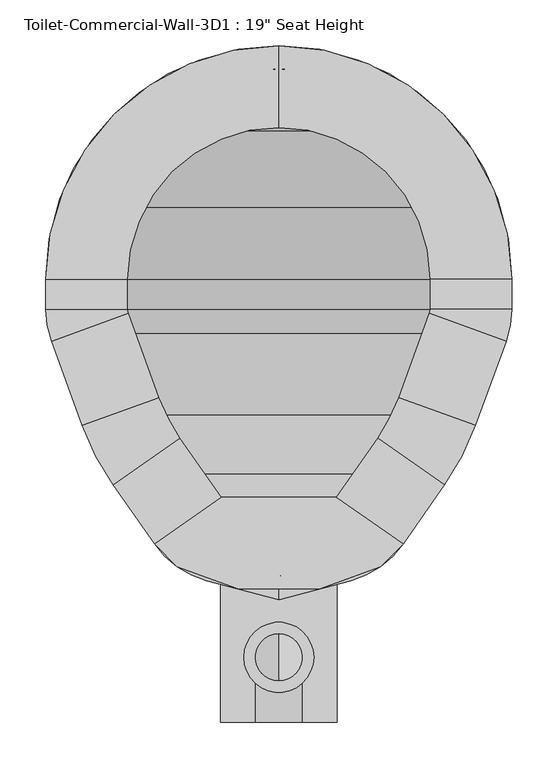
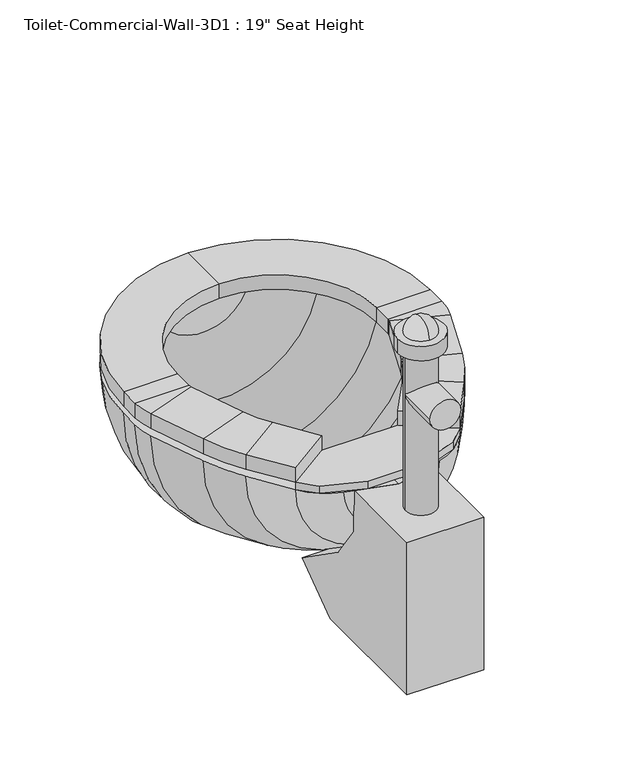
"""IFC4 building model written with IfcOpenShell, lengths in millimetres: flow terminal geometry."""

from ifc_helpers import new_model, si_unit, point, frame, frame_2d, origin, place, context, project, spatial, polyline, circle_curve, ellipse_curve, trimmed, segment, composite_curve, outline, extrude, source, transform, mapped, element, save
from ifc_brep_helpers import plane_surface, cylinder_surface, revolved_surface, advanced_brep


def flow_terminal_e464687d(model_context):
    return source(origin(), model_context, "Body", "SolidModel", [
        extrude(outline(polyline([(467.7541169, 346.6347495), (540.5767337, 295.6438043), (515.6262519, 270.6933226), (449.563909, 246.6485961), (360.2423986, 246.6485961), (294.1800557, 270.6933226), (269.229574, 295.6438043), (342.0521907, 346.6347495), (467.7541169, 346.6347495)])), frame((0.0, 0.0, 444.5), z_axis=(0.0, 0.0, 1.0), x_axis=(1.0, 0.0, 0.0)), (0.0, 0.0, 1.0), 12.7),
        advanced_brep(
        [(467.7541169, 346.6347495, 457.2), (540.5767337, 295.6438043, 457.2), (540.5767337, 295.6438043, 482.6), (467.7541169, 346.6347495, 482.6), (512.8583992, 411.0503403, 457.2), (585.6810159, 360.0593951, 457.2), (585.6810159, 360.0593951, 482.6), (512.8583992, 411.0503403, 482.6), (619.360053, 424.7562234, 457.2), (535.821379, 455.1618141, 457.2), (619.360053, 424.7562234, 482.6), (535.821379, 455.1618141, 482.6), (569.2372501, 546.9711654, 457.2), (652.7759241, 516.5655747, 457.2), (652.7759241, 516.5655747, 482.6), (569.2372501, 546.9711654, 482.6), (658.9031538, 551.3148212, 457.2), (570.0031538, 551.3148212, 457.2), (658.9031538, 551.3148212, 482.6), (570.0031538, 551.3148212, 482.6), (570.0031538, 584.2, 457.2), (658.9031538, 584.2, 457.2), (658.9031538, 584.2, 482.6), (570.0031538, 584.2, 482.6), (404.9031538, 838.2, 457.2), (404.9031538, 749.3, 457.2), (404.9031538, 838.2, 482.6), (404.9031538, 749.3, 482.6), (150.9031538, 584.2, 457.2), (239.8031538, 584.2, 457.2), (150.9031538, 584.2, 482.6), (239.8031538, 584.2, 482.6), (239.8031538, 551.3148212, 457.2), (150.9031538, 551.3148212, 457.2), (150.9031538, 551.3148212, 482.6), (239.8031538, 551.3148212, 482.6), (157.0303835, 516.5655747, 457.2), (240.5690575, 546.9711654, 457.2), (157.0303835, 516.5655747, 482.6), (240.5690575, 546.9711654, 482.6), (273.9849286, 455.1618141, 457.2), (190.4462546, 424.7562234, 457.2), (190.4462546, 424.7562234, 482.6), (273.9849286, 455.1618141, 482.6), (224.1252917, 360.0593951, 457.2), (296.9479084, 411.0503403, 457.2), (224.1252917, 360.0593951, 482.6), (296.9479084, 411.0503403, 482.6), (342.0521907, 346.6347495, 457.2), (342.0521907, 346.6347495, 482.6), (269.229574, 295.6438043, 482.6), (269.229574, 295.6438043, 457.2)],
        [
            (0, 1),
            (1, 2),
            (2, 3),
            (3, 0),
            (0, 4),
            (4, 5),
            (5, 1),
            (5, 6),
            (6, 2),
            (6, 7),
            (7, 3),
            (7, 4),
            (8, 5, circle_curve(frame((356.8099347, 520.3166514, 457.2), z_axis=(0.0, 0.0, -1.0), x_axis=(0.81915204428899, -0.5735764363510486, 0.0)), 279.4)),
            (4, 9, circle_curve(frame((356.8099347, 520.3166514, 457.2), z_axis=(0.0, 0.0, 1.0), x_axis=(0.81915204428899, -0.5735764363510486, 0.0)), 190.5)),
            (9, 8),
            (10, 6, circle_curve(frame((356.8099347, 520.3166514, 482.6), z_axis=(0.0, 0.0, -1.0), x_axis=(0.81915204428899, -0.5735764363510486, 0.0)), 279.4)),
            (8, 10),
            (11, 7, circle_curve(frame((356.8099347, 520.3166514, 482.6), z_axis=(0.0, 0.0, -1.0), x_axis=(0.81915204428899, -0.5735764363510486, 0.0)), 190.5)),
            (10, 11),
            (11, 9),
            (9, 12),
            (12, 13),
            (13, 8),
            (13, 14),
            (14, 10),
            (14, 15),
            (15, 11),
            (15, 12),
            (16, 13, circle_curve(frame((557.3031538, 551.3148212, 457.2), z_axis=(0.0, 0.0, -1.0), x_axis=(0.9396926207859057, -0.3420201433256761, 0.0)), 101.6)),
            (12, 17, circle_curve(frame((557.3031538, 551.3148212, 457.2), z_axis=(0.0, 0.0, 1.0), x_axis=(0.9396926207859057, -0.3420201433256761, 0.0)), 12.7)),
            (17, 16),
            (18, 14, circle_curve(frame((557.3031538, 551.3148212, 482.6), z_axis=(0.0, 0.0, -1.0), x_axis=(0.9396926207859057, -0.3420201433256761, 0.0)), 101.6)),
            (16, 18),
            (19, 15, circle_curve(frame((557.3031538, 551.3148212, 482.6), z_axis=(0.0, 0.0, -1.0), x_axis=(0.9396926207859057, -0.3420201433256761, 0.0)), 12.7)),
            (18, 19),
            (19, 17),
            (17, 20),
            (20, 21),
            (21, 16),
            (21, 22),
            (22, 18),
            (22, 23),
            (23, 19),
            (23, 20),
            (24, 21, circle_curve(frame((404.9031538, 584.2, 457.2), z_axis=(0.0, 0.0, -1.0), x_axis=(1.0, 0.0, 0.0)), 254.0)),
            (20, 25, circle_curve(frame((404.9031538, 584.2, 457.2), z_axis=(0.0, 0.0, 1.0), x_axis=(1.0, 0.0, 0.0)), 165.1)),
            (25, 24),
            (26, 22, circle_curve(frame((404.9031538, 584.2, 482.6), z_axis=(0.0, 0.0, -1.0), x_axis=(1.0, 0.0, 0.0)), 254.0)),
            (24, 26),
            (27, 23, circle_curve(frame((404.9031538, 584.2, 482.6), z_axis=(0.0, 0.0, -1.0), x_axis=(1.0, 0.0, 0.0)), 165.1)),
            (26, 27),
            (27, 25),
            (28, 24, circle_curve(frame((404.9031538, 584.2, 457.2), z_axis=(0.0, 0.0, -1.0), x_axis=(0.0, 1.0, 0.0)), 254.0)),
            (25, 29, circle_curve(frame((404.9031538, 584.2, 457.2), z_axis=(0.0, 0.0, 1.0), x_axis=(0.0, 1.0, 0.0)), 165.1)),
            (29, 28),
            (30, 26, circle_curve(frame((404.9031538, 584.2, 482.6), z_axis=(0.0, 0.0, -1.0), x_axis=(0.0, 1.0, 0.0)), 254.0)),
            (28, 30),
            (31, 27, circle_curve(frame((404.9031538, 584.2, 482.6), z_axis=(0.0, 0.0, -1.0), x_axis=(0.0, 1.0, 0.0)), 165.1)),
            (30, 31),
            (31, 29),
            (29, 32),
            (32, 33),
            (33, 28),
            (33, 34),
            (34, 30),
            (34, 35),
            (35, 31),
            (35, 32),
            (36, 33, circle_curve(frame((252.5031538, 551.3148212, 457.2), z_axis=(0.0, 0.0, -1.0), x_axis=(-1.0, 0.0, 0.0)), 101.6)),
            (32, 37, circle_curve(frame((252.5031538, 551.3148212, 457.2), z_axis=(0.0, 0.0, 1.0), x_axis=(-1.0, 0.0, 0.0)), 12.7)),
            (37, 36),
            (38, 34, circle_curve(frame((252.5031538, 551.3148212, 482.6), z_axis=(0.0, 0.0, -1.0), x_axis=(-1.0, 0.0, 0.0)), 101.6)),
            (36, 38),
            (39, 35, circle_curve(frame((252.5031538, 551.3148212, 482.6), z_axis=(0.0, 0.0, -1.0), x_axis=(-1.0, 0.0, 0.0)), 12.7)),
            (38, 39),
            (39, 37),
            (37, 40),
            (40, 41),
            (41, 36),
            (41, 42),
            (42, 38),
            (42, 43),
            (43, 39),
            (43, 40),
            (44, 41, circle_curve(frame((452.9963729, 520.3166514, 457.2), z_axis=(0.0, 0.0, -1.0), x_axis=(-0.939692620785909, -0.3420201433256672, 0.0)), 279.4)),
            (40, 45, circle_curve(frame((452.9963729, 520.3166514, 457.2), z_axis=(0.0, 0.0, 1.0), x_axis=(-0.939692620785909, -0.3420201433256672, 0.0)), 190.5)),
            (45, 44),
            (46, 42, circle_curve(frame((452.9963729, 520.3166514, 482.6), z_axis=(0.0, 0.0, -1.0), x_axis=(-0.939692620785909, -0.3420201433256672, 0.0)), 279.4)),
            (44, 46),
            (47, 43, circle_curve(frame((452.9963729, 520.3166514, 482.6), z_axis=(0.0, 0.0, -1.0), x_axis=(-0.939692620785909, -0.3420201433256672, 0.0)), 190.5)),
            (46, 47),
            (47, 45),
            (48, 49),
            (49, 50),
            (50, 51),
            (51, 48),
            (45, 48),
            (51, 44),
            (50, 46),
            (49, 47),
        ],
        [
            plane_surface(frame((540.5767337, 295.6438043, 541.2203184), z_axis=(-0.5735764363510388, -0.8191520442889969, 0.0), x_axis=(0.8191520442889969, -0.5735764363510388, 0.0))),
            plane_surface(frame((467.7541169, 346.6347495, 457.2), z_axis=(0.0, 0.0, -1.0), x_axis=(0.5735764363510382, 0.8191520442889973, 0.0))),
            plane_surface(frame((540.5767337, 295.6438043, 457.2), z_axis=(0.8191520442889971, -0.5735764363510386, 0.0), x_axis=(0.5735764363510386, 0.8191520442889971, 0.0))),
            plane_surface(frame((540.5767337, 295.6438043, 482.6), z_axis=(0.0, 0.0, 1.0), x_axis=(0.5735764363510393, 0.8191520442889966, 0.0))),
            plane_surface(frame((467.7541169, 346.6347495, 482.6), z_axis=(-0.8191520442889966, 0.5735764363510393, 0.0), x_axis=(0.5735764363510393, 0.8191520442889966, 0.0))),
            plane_surface(frame((356.8099347, 520.3166514, 457.2), z_axis=(0.0, 0.0, -1.0), x_axis=(0.81915204428899, -0.5735764363510486, 0.0))),
            cylinder_surface(frame((356.8099347, 520.3166514, 444.5), z_axis=(0.0, 0.0, 1.0), x_axis=(0.81915204428899, -0.5735764363510486, 0.0)), 279.4),
            plane_surface(frame((356.8099347, 520.3166514, 482.6), z_axis=(0.0, 0.0, 1.0), x_axis=(0.81915204428899, -0.5735764363510486, 0.0))),
            revolved_surface(polyline([(512.8583991370526, 411.0503402751252, 482.6), (512.8583991370526, 411.0503402751252, 457.2)]), (356.8099347, 520.3166514, 444.5), (0.0, 0.0, 1.0)),
            plane_surface(frame((535.821379, 455.1618141, 457.2), z_axis=(0.0, 0.0, -1.0), x_axis=(0.34202014332566355, 0.9396926207859103, 0.0))),
            plane_surface(frame((619.360053, 424.7562234, 457.2), z_axis=(0.9396926207859104, -0.3420201433256633, 0.0), x_axis=(0.3420201433256633, 0.9396926207859104, 0.0))),
            plane_surface(frame((619.360053, 424.7562234, 482.6), z_axis=(0.0, 0.0, 1.0000000000000002), x_axis=(0.3420201433256645, 0.93969262078591, 0.0))),
            plane_surface(frame((535.821379, 455.1618141, 482.6), z_axis=(-0.9396926207859099, 0.3420201433256646, 0.0), x_axis=(0.3420201433256646, 0.9396926207859099, 0.0))),
            plane_surface(frame((557.3031538, 551.3148212, 457.2), z_axis=(0.0, 0.0, -1.0000000000000002), x_axis=(0.9396926207859058, -0.34202014332567615, 0.0))),
            cylinder_surface(frame((557.3031538, 551.3148212, 444.5), z_axis=(0.0, 0.0, 1.0), x_axis=(0.9396926207859057, -0.3420201433256761, 0.0)), 101.6),
            plane_surface(frame((557.3031538, 551.3148212, 482.6), z_axis=(0.0, 0.0, 1.0000000000000002), x_axis=(0.9396926207859058, -0.34202014332567615, 0.0))),
            revolved_surface(polyline([(569.237250083981, 546.9711653797639, 482.6), (569.237250083981, 546.9711653797639, 457.2)]), (557.3031538, 551.3148212, 444.5), (0.0, 0.0, 1.0)),
            plane_surface(frame((570.0031538, 551.3148212, 457.2), z_axis=(0.0, 0.0, -1.0), x_axis=(0.0, 1.0, 0.0))),
            plane_surface(frame((658.9031538, 551.3148212, 457.2), z_axis=(1.0, 0.0, 0.0), x_axis=(0.0, 1.0, 0.0))),
            plane_surface(frame((658.9031538, 551.3148212, 482.6), z_axis=(0.0, 0.0, 1.0), x_axis=(0.0, 1.0, 0.0))),
            plane_surface(frame((570.0031538, 551.3148212, 482.6), z_axis=(-1.0, 0.0, 0.0), x_axis=(0.0, 1.0, 0.0))),
            plane_surface(frame((404.9031538, 584.2, 457.2), z_axis=(0.0, 0.0, -1.0), x_axis=(1.0, 0.0, 0.0))),
            cylinder_surface(frame((404.9031538, 584.2, 444.5), z_axis=(0.0, 0.0, 1.0), x_axis=(1.0, 0.0, 0.0)), 254.0),
            plane_surface(frame((404.9031538, 584.2, 482.6), z_axis=(0.0, 0.0, 1.0), x_axis=(1.0, 0.0, 0.0))),
            revolved_surface(polyline([(570.0031538, 584.2, 482.6), (570.0031538, 584.2, 457.2)]), (404.9031538, 584.2, 444.5), (0.0, 0.0, 1.0)),
            plane_surface(frame((404.9031538, 584.2, 457.2), z_axis=(0.0, 0.0, -1.0), x_axis=(0.0, 1.0, 0.0))),
            cylinder_surface(frame((404.9031538, 584.2, 444.5), z_axis=(0.0, 0.0, 1.0), x_axis=(0.0, 1.0, 0.0)), 254.0),
            plane_surface(frame((404.9031538, 584.2, 482.6), z_axis=(0.0, 0.0, 1.0), x_axis=(0.0, 1.0, 0.0))),
            revolved_surface(polyline([(404.9031538, 749.3000000000001, 482.6), (404.9031538, 749.3000000000001, 457.2)]), (404.9031538, 584.2, 444.5), (0.0, 0.0, 1.0)),
            plane_surface(frame((239.8031538, 584.2, 457.2), z_axis=(0.0, 0.0, -1.0), x_axis=(0.0, -1.0, 0.0))),
            plane_surface(frame((150.9031538, 584.2, 457.2), z_axis=(-1.0, 0.0, 0.0), x_axis=(0.0, -1.0, 0.0))),
            plane_surface(frame((150.9031538, 584.2, 482.6), z_axis=(0.0, 0.0, 1.0), x_axis=(0.0, -1.0, 0.0))),
            plane_surface(frame((239.8031538, 584.2, 482.6), z_axis=(1.0, 0.0, 0.0), x_axis=(0.0, -1.0, 0.0))),
            plane_surface(frame((252.5031538, 551.3148212, 457.2), z_axis=(0.0, 0.0, -1.0), x_axis=(-1.0, 0.0, 0.0))),
            cylinder_surface(frame((252.5031538, 551.3148212, 444.5), z_axis=(0.0, 0.0, 1.0), x_axis=(-1.0, 0.0, 0.0)), 101.6),
            plane_surface(frame((252.5031538, 551.3148212, 482.6), z_axis=(0.0, 0.0, 1.0), x_axis=(-1.0, 0.0, 0.0))),
            revolved_surface(polyline([(239.80315380000002, 551.3148212, 482.6), (239.80315380000002, 551.3148212, 457.2)]), (252.5031538, 551.3148212, 444.5), (0.0, 0.0, 1.0)),
            plane_surface(frame((240.5690575, 546.9711654, 457.2), z_axis=(0.0, 0.0, -1.0), x_axis=(0.34202014332565556, -0.9396926207859132, 0.0))),
            plane_surface(frame((157.0303835, 516.5655747, 457.2), z_axis=(-0.9396926207859131, -0.34202014332565583, 0.0), x_axis=(0.34202014332565583, -0.9396926207859131, 0.0))),
            plane_surface(frame((157.0303835, 516.5655747, 482.6), z_axis=(0.0, 0.0, 1.0), x_axis=(0.3420201433256552, -0.9396926207859133, 0.0))),
            plane_surface(frame((240.5690575, 546.9711654, 482.6), z_axis=(0.9396926207859132, 0.34202014332565556, 0.0), x_axis=(0.34202014332565556, -0.9396926207859132, 0.0))),
            plane_surface(frame((452.9963729, 520.3166514, 457.2), z_axis=(0.0, 0.0, -1.0), x_axis=(-0.939692620785909, -0.3420201433256672, 0.0))),
            cylinder_surface(frame((452.9963729, 520.3166514, 444.5), z_axis=(0.0, 0.0, 1.0), x_axis=(-0.939692620785909, -0.3420201433256672, 0.0)), 279.4),
            plane_surface(frame((452.9963729, 520.3166514, 482.6), z_axis=(0.0, 0.0, 1.0), x_axis=(-0.939692620785909, -0.3420201433256672, 0.0))),
            revolved_surface(polyline([(273.98492864028435, 455.1618140964604, 482.6), (273.98492864028435, 455.1618140964604, 457.2)]), (452.9963729, 520.3166514, 444.5), (0.0, 0.0, 1.0)),
            plane_surface(frame((269.229574, 295.6438043, 347.7796816), z_axis=(0.5735764363510506, -0.8191520442889887, 0.0), x_axis=(0.8191520442889887, 0.5735764363510506, 0.0))),
            plane_surface(frame((296.9479084, 411.0503403, 457.2), z_axis=(0.0, 0.0, -1.0), x_axis=(0.5735764363510505, -0.8191520442889888, 0.0))),
            plane_surface(frame((224.1252917, 360.0593951, 457.2), z_axis=(-0.8191520442889889, -0.5735764363510503, 0.0), x_axis=(0.5735764363510503, -0.8191520442889889, 0.0))),
            plane_surface(frame((224.1252917, 360.0593951, 482.6), z_axis=(0.0, 0.0, 1.0), x_axis=(0.5735764363510503, -0.8191520442889889, 0.0))),
            plane_surface(frame((296.9479084, 411.0503403, 482.6), z_axis=(0.8191520442889887, 0.5735764363510507, 0.0), x_axis=(0.5735764363510507, -0.8191520442889887, 0.0))),
        ],
        [
            (0, [[1, 2, 3, 4]]),
            (1, [[-1, 5, 6, 7]]),
            (2, [[-2, -7, 8, 9]]),
            (3, [[-3, -9, 10, 11]]),
            (4, [[-4, -11, 12, -5]]),
            (5, [[13, -6, 14, 15]]),
            (6, [[16, -8, -13, 17]]),
            (7, [[18, -10, -16, 19]]),
            (8, [[-14, -12, -18, 20]]),
            (9, [[-15, 21, 22, 23]]),
            (10, [[-17, -23, 24, 25]]),
            (11, [[-19, -25, 26, 27]]),
            (12, [[-20, -27, 28, -21]]),
            (13, [[29, -22, 30, 31]]),
            (14, [[32, -24, -29, 33]]),
            (15, [[34, -26, -32, 35]]),
            (16, [[-30, -28, -34, 36]]),
            (17, [[-31, 37, 38, 39]]),
            (18, [[-33, -39, 40, 41]]),
            (19, [[-35, -41, 42, 43]]),
            (20, [[-36, -43, 44, -37]]),
            (21, [[45, -38, 46, 47]]),
            (22, [[48, -40, -45, 49]]),
            (23, [[50, -42, -48, 51]]),
            (24, [[-46, -44, -50, 52]]),
            (25, [[53, -47, 54, 55]]),
            (26, [[56, -49, -53, 57]]),
            (27, [[58, -51, -56, 59]]),
            (28, [[-54, -52, -58, 60]]),
            (29, [[-55, 61, 62, 63]]),
            (30, [[-57, -63, 64, 65]]),
            (31, [[-59, -65, 66, 67]]),
            (32, [[-60, -67, 68, -61]]),
            (33, [[69, -62, 70, 71]]),
            (34, [[72, -64, -69, 73]]),
            (35, [[74, -66, -72, 75]]),
            (36, [[-70, -68, -74, 76]]),
            (37, [[-71, 77, 78, 79]]),
            (38, [[-73, -79, 80, 81]]),
            (39, [[-75, -81, 82, 83]]),
            (40, [[-76, -83, 84, -77]]),
            (41, [[85, -78, 86, 87]]),
            (42, [[88, -80, -85, 89]]),
            (43, [[90, -82, -88, 91]]),
            (44, [[-86, -84, -90, 92]]),
            (45, [[93, 94, 95, 96]]),
            (46, [[-87, 97, -96, 98]]),
            (47, [[-89, -98, -95, 99]]),
            (48, [[-91, -99, -94, 100]]),
            (49, [[-92, -100, -93, -97]]),
        ],
    ),
        advanced_brep(
        [(491.7762702, 822.8819257, 444.5), (404.9031538, 838.2, 444.5), (404.9031538, 812.8, 444.5), (483.0889586, 799.0137331, 444.5), (566.547764, 745.8446102, 444.5), (619.7168869, 662.3858048, 444.5), (633.5031538, 584.2, 444.5), (633.5031538, 551.3148212, 444.5), (628.9077315, 525.2528863, 444.5), (596.6355667, 436.5858422, 444.5), (562.9565296, 371.8890139, 444.5), (525.0728964, 317.7855786, 444.5), (468.1430637, 277.9228806, 444.5), (404.9031538, 260.9777978, 444.5), (404.9031538, 234.6817829, 444.5), (483.6469009, 255.7811063, 444.5), (540.5767337, 295.6438043, 444.5), (585.6810159, 360.0593951, 444.5), (619.360053, 424.7562234, 444.5), (652.7759241, 516.5655747, 444.5), (658.9031538, 551.3148212, 444.5), (658.9031538, 584.2, 444.5), (643.5850795, 671.0731164, 444.5), (584.5082762, 763.8051224, 444.5), (318.0300374, 822.8819257, 444.5), (225.2980314, 763.8051224, 444.5), (166.2212281, 671.0731164, 444.5), (150.9031538, 584.2, 444.5), (150.9031538, 551.3148212, 444.5), (157.0303835, 516.5655747, 444.5), (190.4462546, 424.7562234, 444.5), (224.1252917, 360.0593951, 444.5), (269.229574, 295.6438043, 444.5), (326.1594067, 255.7811063, 444.5), (341.663244, 277.9228806, 444.5), (284.7334112, 317.7855786, 444.5), (246.849778, 371.8890139, 444.5), (213.1707409, 436.5858422, 444.5), (180.8985761, 525.2528863, 444.5), (176.3031538, 551.3148212, 444.5), (176.3031538, 584.2, 444.5), (190.0894207, 662.3858048, 444.5), (243.2585436, 745.8446102, 444.5), (326.7173491, 799.0137331, 444.5)],
        [
            (0, 1, circle_curve(frame((404.9031538, 584.2, 444.5), z_axis=(0.0, 0.0, 1.0), x_axis=(1.0, 0.0, 0.0)), 254.0)),
            (1, 2),
            (2, 3, circle_curve(frame((404.9031538, 584.2, 444.5), z_axis=(0.0, 0.0, -1.0), x_axis=(1.0, 0.0, 0.0)), 228.6)),
            (3, 4, circle_curve(frame((404.9031538, 584.2, 444.5), z_axis=(0.0, 0.0, -1.0), x_axis=(1.0, 0.0, 0.0)), 228.6)),
            (4, 5, circle_curve(frame((404.9031538, 584.2, 444.5), z_axis=(0.0, 0.0, -1.0), x_axis=(1.0, 0.0, 0.0)), 228.6)),
            (5, 6, circle_curve(frame((404.9031538, 584.2, 444.5), z_axis=(0.0, 0.0, -1.0), x_axis=(1.0, 0.0, 0.0)), 228.6)),
            (6, 7),
            (7, 8, circle_curve(frame((557.3031538, 551.3148212, 444.5), z_axis=(0.0, 0.0, -1.0), x_axis=(1.0, 0.0, 0.0)), 76.2)),
            (8, 9),
            (9, 10, circle_curve(frame((334.0854485, 532.1462703, 444.5), z_axis=(0.0, 0.0, -1.0), x_axis=(1.0, 0.0, 0.0)), 279.4)),
            (10, 11),
            (11, 12, circle_curve(frame((441.8470487, 376.0609446, 444.5), z_axis=(0.0, 0.0, -1.0), x_axis=(1.0, 0.0, 0.0)), 101.6)),
            (12, 13),
            (13, 14),
            (14, 15),
            (15, 16, circle_curve(frame((457.350886, 353.9191703, 444.5), z_axis=(0.0, 0.0, 1.0), x_axis=(1.0, 0.0, 0.0)), 101.6)),
            (16, 17),
            (17, 18, circle_curve(frame((356.8099347, 520.3166514, 444.5), z_axis=(0.0, 0.0, 1.0), x_axis=(1.0, 0.0, 0.0)), 279.4)),
            (18, 19),
            (19, 20, circle_curve(frame((557.3031538, 551.3148212, 444.5), z_axis=(0.0, 0.0, 1.0), x_axis=(1.0, 0.0, 0.0)), 101.6)),
            (20, 21),
            (21, 22, circle_curve(frame((404.9031538, 584.2, 444.5), z_axis=(0.0, 0.0, 1.0), x_axis=(1.0, 0.0, 0.0)), 254.0)),
            (22, 23, circle_curve(frame((404.9031538, 584.2, 444.5), z_axis=(0.0, 0.0, 1.0), x_axis=(1.0, 0.0, 0.0)), 254.0)),
            (23, 0, circle_curve(frame((404.9031538, 584.2, 444.5), z_axis=(0.0, 0.0, 1.0), x_axis=(1.0, 0.0, 0.0)), 254.0)),
            (24, 25, circle_curve(frame((404.9031538, 584.2, 444.5), z_axis=(0.0, 0.0, 1.0), x_axis=(-1.0, 0.0, 0.0)), 254.0)),
            (25, 26, circle_curve(frame((404.9031538, 584.2, 444.5), z_axis=(0.0, 0.0, 1.0), x_axis=(-1.0, 0.0, 0.0)), 254.0)),
            (26, 27, circle_curve(frame((404.9031538, 584.2, 444.5), z_axis=(0.0, 0.0, 1.0), x_axis=(-1.0, 0.0, 0.0)), 254.0)),
            (27, 28),
            (28, 29, circle_curve(frame((252.5031538, 551.3148212, 444.5), z_axis=(0.0, 0.0, 1.0), x_axis=(-1.0, 0.0, 0.0)), 101.6)),
            (29, 30),
            (30, 31, circle_curve(frame((452.9963729, 520.3166514, 444.5), z_axis=(0.0, 0.0, 1.0), x_axis=(-1.0, 0.0, 0.0)), 279.4)),
            (31, 32),
            (32, 33, circle_curve(frame((352.4554217, 353.9191703, 444.5), z_axis=(0.0, 0.0, 1.0), x_axis=(-1.0, 0.0, 0.0)), 101.6)),
            (33, 14),
            (13, 34),
            (34, 35, circle_curve(frame((367.9592589, 376.0609446, 444.5), z_axis=(0.0, 0.0, -1.0), x_axis=(-1.0, 0.0, 0.0)), 101.6)),
            (35, 36),
            (36, 37, circle_curve(frame((475.7208592, 532.1462703, 444.5), z_axis=(0.0, 0.0, -1.0), x_axis=(-1.0, 0.0, 0.0)), 279.4)),
            (37, 38),
            (38, 39, circle_curve(frame((252.5031538, 551.3148212, 444.5), z_axis=(0.0, 0.0, -1.0), x_axis=(-1.0, 0.0, 0.0)), 76.2)),
            (39, 40),
            (40, 41, circle_curve(frame((404.9031538, 584.2, 444.5), z_axis=(0.0, 0.0, -1.0), x_axis=(-1.0, 0.0, 0.0)), 228.6)),
            (41, 42, circle_curve(frame((404.9031538, 584.2, 444.5), z_axis=(0.0, 0.0, -1.0), x_axis=(-1.0, 0.0, 0.0)), 228.6)),
            (42, 43, circle_curve(frame((404.9031538, 584.2, 444.5), z_axis=(0.0, 0.0, -1.0), x_axis=(-1.0, 0.0, 0.0)), 228.6)),
            (43, 2, circle_curve(frame((404.9031538, 584.2, 444.5), z_axis=(0.0, 0.0, -1.0), x_axis=(-1.0, 0.0, 0.0)), 228.6)),
            (1, 24, circle_curve(frame((404.9031538, 584.2, 444.5), z_axis=(0.0, 0.0, 1.0), x_axis=(-1.0, 0.0, 0.0)), 254.0)),
            (0, 24, circle_curve(frame((404.9031538, 822.8819257, 444.5), z_axis=(0.0, 1.0, 0.0), x_axis=(1.0, 0.0, 0.0)), 86.8731164)),
            (43, 3, circle_curve(frame((404.9031538, 799.0137331, 444.5), z_axis=(0.0, -1.0, 0.0), x_axis=(1.0, 0.0, 0.0)), 78.1858048)),
            (42, 4, circle_curve(frame((404.9031538, 745.8446102, 444.5), z_axis=(0.0, -1.0, 0.0), x_axis=(1.0, 0.0, 0.0)), 161.6446102)),
            (41, 5, circle_curve(frame((404.9031538, 662.3858048, 444.5), z_axis=(0.0, -1.0, 0.0), x_axis=(1.0, 0.0, 0.0)), 214.8137331)),
            (40, 6, circle_curve(frame((404.9031538, 584.2, 444.5), z_axis=(0.0, -1.0, 0.0), x_axis=(1.0, 0.0, 0.0)), 228.6)),
            (39, 7, circle_curve(frame((404.9031538, 551.3148212, 444.5), z_axis=(0.0, -1.0, 0.0), x_axis=(1.0, 0.0, 0.0)), 228.6)),
            (38, 8, circle_curve(frame((404.9031538, 525.2528863, 444.5), z_axis=(0.0, -1.0, 0.0), x_axis=(1.0, 0.0, 0.0)), 224.0045777)),
            (37, 9, circle_curve(frame((404.9031538, 436.5858422, 444.5), z_axis=(0.0, -1.0, 0.0), x_axis=(1.0, 0.0, 0.0)), 191.7324129)),
            (36, 10, circle_curve(frame((404.9031538, 371.8890139, 444.5), z_axis=(0.0, -1.0, 0.0), x_axis=(1.0, 0.0, 0.0)), 158.0533758)),
            (35, 11, circle_curve(frame((404.9031538, 317.7855786, 444.5), z_axis=(0.0, -1.0, 0.0), x_axis=(1.0, 0.0, 0.0)), 120.1697426)),
            (34, 12, circle_curve(frame((404.9031538, 277.9228806, 444.5), z_axis=(0.0, -1.0, 0.0), x_axis=(1.0, 0.0, 0.0)), 63.2399099)),
            (33, 15, circle_curve(frame((404.9031538, 255.7811063, 444.5), z_axis=(0.0, -1.0, 0.0), x_axis=(1.0, 0.0, 0.0)), 78.7437471)),
            (32, 16, circle_curve(frame((404.9031538, 295.6438043, 444.5), z_axis=(0.0, -1.0, 0.0), x_axis=(1.0, 0.0, 0.0)), 135.6735798)),
            (31, 17, circle_curve(frame((404.9031538, 360.0593951, 444.5), z_axis=(0.0, -1.0, 0.0), x_axis=(1.0, 0.0, 0.0)), 180.7778621)),
            (30, 18, circle_curve(frame((404.9031538, 424.7562234, 444.5), z_axis=(0.0, -1.0, 0.0), x_axis=(1.0, 0.0, 0.0)), 214.4568992)),
            (29, 19, circle_curve(frame((404.9031538, 516.5655747, 444.5), z_axis=(0.0, -1.0, 0.0), x_axis=(1.0, 0.0, 0.0)), 247.8727703)),
            (28, 20, circle_curve(frame((404.9031538, 551.3148212, 444.5), z_axis=(0.0, -1.0, 0.0), x_axis=(1.0, 0.0, 0.0)), 254.0)),
            (27, 21, circle_curve(frame((404.9031538, 584.2, 444.5), z_axis=(0.0, -1.0, 0.0), x_axis=(1.0, 0.0, 0.0)), 254.0)),
            (26, 22, circle_curve(frame((404.9031538, 671.0731164, 444.5), z_axis=(0.0, -1.0, 0.0), x_axis=(1.0, 0.0, 0.0)), 238.6819257)),
            (25, 23, circle_curve(frame((404.9031538, 763.8051224, 444.5), z_axis=(0.0, -1.0, 0.0), x_axis=(1.0, 0.0, 0.0)), 179.6051224)),
        ],
        [
            plane_surface(frame((404.9031538, 943.4102448, 444.5), z_axis=(0.0, 0.0, 1.0), x_axis=(1.0, 0.0, 0.0))),
            plane_surface(frame((404.9031538, 943.4102448, 444.5), z_axis=(0.0, 0.0, 1.0), x_axis=(-1.0, 0.0, 0.0))),
            revolved_surface(trimmed(ellipse_curve(frame((404.9031538, 584.2, 444.5), z_axis=(0.0, 0.0, 1.0), x_axis=(1.0, 0.0, 0.0)), 254.0, 254.0), [point((491.7762702, 822.8819257, 444.5))], [point((404.9031538, 838.2, 444.5))], True, "CARTESIAN"), (404.9031538, 943.4102448, 444.5), (0.0, 1.0, 0.0)),
            revolved_surface(trimmed(ellipse_curve(frame((404.9031538, 584.2, 444.5), z_axis=(0.0, 0.0, -1.0), x_axis=(1.0, 0.0, 0.0)), 228.6, 228.6), [point((404.9031538, 812.8, 444.5))], [point((483.0889586, 799.0137331, 444.5))], True, "CARTESIAN"), (404.9031538, 943.4102448, 444.5), (0.0, 1.0, 0.0)),
            revolved_surface(trimmed(ellipse_curve(frame((404.9031538, 584.2, 444.5), z_axis=(0.0, 0.0, -1.0), x_axis=(1.0, 0.0, 0.0)), 228.6, 228.6), [point((483.0889586, 799.0137331, 444.5))], [point((566.547764, 745.8446102, 444.5))], True, "CARTESIAN"), (404.9031538, 943.4102448, 444.5), (0.0, 1.0, 0.0)),
            revolved_surface(trimmed(ellipse_curve(frame((404.9031538, 584.2, 444.5), z_axis=(0.0, 0.0, -1.0), x_axis=(1.0, 0.0, 0.0)), 228.6, 228.6), [point((566.547764, 745.8446102, 444.5))], [point((619.7168869, 662.3858048, 444.5))], True, "CARTESIAN"), (404.9031538, 943.4102448, 444.5), (0.0, 1.0, 0.0)),
            revolved_surface(trimmed(ellipse_curve(frame((404.9031538, 584.2, 444.5), z_axis=(0.0, 0.0, -1.0), x_axis=(1.0, 0.0, 0.0)), 228.6, 228.6), [point((619.7168869, 662.3858048, 444.5))], [point((633.5031538, 584.2, 444.5))], True, "CARTESIAN"), (404.9031538, 943.4102448, 444.5), (0.0, 1.0, 0.0)),
            revolved_surface(polyline([(633.5031538, 584.2, 444.5), (633.5031538, 551.3148212, 444.5)]), (404.9031538, 943.4102448, 444.5), (0.0, 1.0, 0.0)),
            revolved_surface(trimmed(ellipse_curve(frame((557.3031538, 551.3148212, 444.5), z_axis=(0.0, 0.0, -1.0), x_axis=(1.0, 0.0, 0.0)), 76.2, 76.2), [point((633.5031538, 551.3148212, 444.5))], [point((628.9077315, 525.2528863, 444.5))], True, "CARTESIAN"), (404.9031538, 943.4102448, 444.5), (0.0, 1.0, 0.0)),
            revolved_surface(polyline([(628.9077315, 525.2528863, 444.5), (596.6355667, 436.5858422, 444.5)]), (404.9031538, 943.4102448, 444.5), (0.0, 1.0, 0.0)),
            revolved_surface(trimmed(ellipse_curve(frame((334.0854485, 532.1462703, 444.5), z_axis=(0.0, 0.0, -1.0), x_axis=(1.0, 0.0, 0.0)), 279.4, 279.4), [point((596.6355667, 436.5858422, 444.5))], [point((562.9565296, 371.8890139, 444.5))], True, "CARTESIAN"), (404.9031538, 943.4102448, 444.5), (0.0, 1.0, 0.0)),
            revolved_surface(polyline([(562.9565296, 371.8890139, 444.5), (525.0728964, 317.7855786, 444.5)]), (404.9031538, 943.4102448, 444.5), (0.0, 1.0, 0.0)),
            revolved_surface(trimmed(ellipse_curve(frame((441.8470487, 376.0609446, 444.5), z_axis=(0.0, 0.0, -1.0), x_axis=(1.0, 0.0, 0.0)), 101.6, 101.6), [point((525.0728964, 317.7855786, 444.5))], [point((468.1430637, 277.9228806, 444.5))], True, "CARTESIAN"), (404.9031538, 943.4102448, 444.5), (0.0, 1.0, 0.0)),
            revolved_surface(polyline([(468.1430637, 277.9228806, 444.5), (404.9031538, 260.9777978, 444.5)]), (404.9031538, 943.4102448, 444.5), (0.0, 1.0, 0.0)),
            revolved_surface(polyline([(404.9031538, 234.6817829, 444.5), (483.6469009, 255.7811063, 444.5)]), (404.9031538, 943.4102448, 444.5), (0.0, 1.0, 0.0)),
            revolved_surface(trimmed(ellipse_curve(frame((457.350886, 353.9191703, 444.5), z_axis=(0.0, 0.0, 1.0), x_axis=(1.0, 0.0, 0.0)), 101.6, 101.6), [point((483.6469009, 255.7811063, 444.5))], [point((540.5767337, 295.6438043, 444.5))], True, "CARTESIAN"), (404.9031538, 943.4102448, 444.5), (0.0, 1.0, 0.0)),
            revolved_surface(polyline([(540.5767337, 295.6438043, 444.5), (585.6810159, 360.0593951, 444.5)]), (404.9031538, 943.4102448, 444.5), (0.0, 1.0, 0.0)),
            revolved_surface(trimmed(ellipse_curve(frame((356.8099347, 520.3166514, 444.5), z_axis=(0.0, 0.0, 1.0), x_axis=(1.0, 0.0, 0.0)), 279.4, 279.4), [point((585.6810159, 360.0593951, 444.5))], [point((619.360053, 424.7562234, 444.5))], True, "CARTESIAN"), (404.9031538, 943.4102448, 444.5), (0.0, 1.0, 0.0)),
            revolved_surface(polyline([(619.360053, 424.7562234, 444.5), (652.7759241, 516.5655747, 444.5)]), (404.9031538, 943.4102448, 444.5), (0.0, 1.0, 0.0)),
            revolved_surface(trimmed(ellipse_curve(frame((557.3031538, 551.3148212, 444.5), z_axis=(0.0, 0.0, 1.0), x_axis=(1.0, 0.0, 0.0)), 101.6, 101.6), [point((652.7759241, 516.5655747, 444.5))], [point((658.9031538, 551.3148212, 444.5))], True, "CARTESIAN"), (404.9031538, 943.4102448, 444.5), (0.0, 1.0, 0.0)),
            cylinder_surface(frame((404.9031538, 943.4102448, 444.5), z_axis=(0.0, 1.0, 0.0), x_axis=(1.0, 0.0, 0.0)), 254.0),
            revolved_surface(trimmed(ellipse_curve(frame((404.9031538, 584.2, 444.5), z_axis=(0.0, 0.0, 1.0), x_axis=(1.0, 0.0, 0.0)), 254.0, 254.0), [point((658.9031538, 584.2, 444.5))], [point((643.5850795, 671.0731164, 444.5))], True, "CARTESIAN"), (404.9031538, 943.4102448, 444.5), (0.0, 1.0, 0.0)),
            revolved_surface(trimmed(ellipse_curve(frame((404.9031538, 584.2, 444.5), z_axis=(0.0, 0.0, 1.0), x_axis=(1.0, 0.0, 0.0)), 254.0, 254.0), [point((643.5850795, 671.0731164, 444.5))], [point((584.5082762, 763.8051224, 444.5))], True, "CARTESIAN"), (404.9031538, 943.4102448, 444.5), (0.0, 1.0, 0.0)),
            revolved_surface(trimmed(ellipse_curve(frame((404.9031538, 584.2, 444.5), z_axis=(0.0, 0.0, 1.0), x_axis=(1.0, 0.0, 0.0)), 254.0, 254.0), [point((584.5082762, 763.8051224, 444.5))], [point((491.7762702, 822.8819257, 444.5))], True, "CARTESIAN"), (404.9031538, 943.4102448, 444.5), (0.0, 1.0, 0.0)),
        ],
        [
            (0, [[1, 2, 3, 4, 5, 6, 7, 8, 9, 10, 11, 12, 13, 14, 15, 16, 17, 18, 19, 20, 21, 22, 23, 24]]),
            (1, [[25, 26, 27, 28, 29, 30, 31, 32, 33, 34, -14, 35, 36, 37, 38, 39, 40, 41, 42, 43, 44, 45, -2, 46]]),
            (2, [[-1, 47, -46]]),
            (3, [[48, -3, -45]]),
            (4, [[49, -4, -48, -44]]),
            (5, [[50, -5, -49, -43]]),
            (6, [[51, -6, -50, -42]]),
            (7, [[52, -7, -51, -41]]),
            (8, [[53, -8, -52, -40]]),
            (9, [[54, -9, -53, -39]]),
            (10, [[55, -10, -54, -38]]),
            (11, [[56, -11, -55, -37]]),
            (12, [[57, -12, -56, -36]]),
            (13, [[-13, -57, -35]]),
            (14, [[58, -15, -34]]),
            (15, [[59, -16, -58, -33]]),
            (16, [[60, -17, -59, -32]]),
            (17, [[61, -18, -60, -31]]),
            (18, [[62, -19, -61, -30]]),
            (19, [[63, -20, -62, -29]]),
            (20, [[64, -21, -63, -28]]),
            (21, [[65, -22, -64, -27]]),
            (22, [[66, -23, -65, -26]]),
            (23, [[-47, -24, -66, -25]]),
        ],
    ),
        advanced_brep(
        [(404.9031538, 146.5176912, 749.3), (404.9031538, 197.7528563, 749.3), (404.9031538, 172.1352737, 774.9175826), (404.9031538, 172.1352737, 749.3)],
        [
            (0, 1, circle_curve(frame((404.9031538, 172.1352737, 749.3), z_axis=(0.0, 0.0, 1.0), x_axis=(0.0, 1.0, 0.0)), 25.6175826)),
            (1, 2, circle_curve(frame((404.9031538, 172.1352737, 749.3), z_axis=(1.0, 0.0, 0.0), x_axis=(0.0, -1.0, 0.0)), 25.6175826)),
            (2, 0, circle_curve(frame((404.9031538, 172.1352737, 749.3), z_axis=(1.0, 0.0, 0.0), x_axis=(0.0, 1.0, 0.0)), 25.6175826)),
            (1, 0, circle_curve(frame((404.9031538, 172.1352737, 749.3), z_axis=(0.0, 0.0, 1.0), x_axis=(0.0, 1.0, 0.0)), 25.6175826)),
            (3, 1),
            (0, 3),
        ],
        [
            revolved_surface(trimmed(ellipse_curve(frame((404.9031538, 172.1352737, 749.3), z_axis=(-1.0, 0.0, 0.0), x_axis=(0.0, -1.0, 0.0)), 25.6175826, 25.6175826), [point((404.9031538, 172.1352737, 774.9175826))], [point((404.9031538, 197.7528563, 749.3))], True, "CARTESIAN"), (404.9031538, 172.1352737, 813.9277273), (0.0, 0.0, -1.0)),
            plane_surface(frame((404.9031538, 172.1352737, 749.3), z_axis=(0.0, 0.0, -1.0), x_axis=(0.0, 1.0, 0.0))),
        ],
        [
            (0, [[1, 2, 3]]),
            (0, [[4, -3, -2]]),
            (1, [[5, -1, 6]]),
            (1, [[-6, -4, -5]]),
        ],
    ),
        extrude(outline(composite_curve([segment(trimmed(circle_curve(frame_2d((404.9031538, 172.1352737)), 38.1), [point((366.8031538, 172.1352737))], [point((443.0031538, 172.1352737))], False, "CARTESIAN"), True, "CONTINUOUS"), segment(trimmed(circle_curve(frame_2d((404.9031538, 172.1352737)), 38.1), [point((443.0031538, 172.1352737))], [point((366.8031538, 172.1352737))], False, "CARTESIAN"), True, "CONTINUOUS")], self_intersect=False)), frame((0.0, 0.0, 723.9), z_axis=(0.0, 0.0, 1.0), x_axis=(1.0, 0.0, 0.0)), (0.0, 0.0, 1.0), 25.4),
        extrude(outline(composite_curve([segment(trimmed(circle_curve(frame_2d((645.8113641, 404.9031538)), 25.4), [point((645.8113641, 379.5031538))], [point((645.8113641, 430.3031538))], False, "CARTESIAN"), True, "CONTINUOUS"), segment(trimmed(circle_curve(frame_2d((645.8113641, 404.9031538)), 25.4), [point((645.8113641, 430.3031538))], [point((645.8113641, 379.5031538))], False, "CARTESIAN"), True, "CONTINUOUS")], self_intersect=False)), frame((0.0, 101.6, 0.0), z_axis=(0.0, 1.0, 0.0), x_axis=(0.0, 0.0, 1.0)), (0.0, 0.0, 1.0), 70.64375),
        extrude(outline(composite_curve([segment(trimmed(circle_curve(frame_2d((404.9031538, 172.1352737)), 25.4), [point((379.5031538, 172.1352737))], [point((430.3031538, 172.1352737))], False, "CARTESIAN"), True, "CONTINUOUS"), segment(trimmed(circle_curve(frame_2d((404.9031538, 172.1352737)), 25.4), [point((430.3031538, 172.1352737))], [point((379.5031538, 172.1352737))], False, "CARTESIAN"), True, "CONTINUOUS")], self_intersect=False)), frame((0.0, 0.0, 444.5), z_axis=(0.0, 0.0, 1.0), x_axis=(1.0, 0.0, 0.0)), (0.0, 0.0, 1.0), 279.4),
        extrude(outline(polyline([(254.4037941, 444.5), (254.4037941, 370.896452), (298.1103185, 308.4770663), (402.1426282, 235.6328588), (321.6454017, 177.8), (101.6, 177.8), (101.6, 444.5), (254.4037941, 444.5)])), frame((341.4031538, 0.0, 0.0), z_axis=(1.0, 0.0, 0.0), x_axis=(0.0, 1.0, 0.0)), (0.0, 0.0, 1.0), 127.0),
    ])


if __name__ == "__main__":
    model = new_model("IFC4")
    model_context = context("Model", 3, world=origin())
    ifc_project = project(units=[si_unit("LENGTHUNIT", "METRE", prefix="MILLI")], contexts=[model_context])
    site = spatial("IfcSite", under=ifc_project)
    building = spatial("IfcBuilding", under=site)
    placement = place(None, origin())
    flow_terminal_shape = flow_terminal_e464687d(model_context)
    element("IfcFlowTerminal", 1, ObjectType="Toilet-Commercial-Wall-3D1 : 19\" Seat Height", at=placement, inside=building, context=model_context, shape_type="MappedRepresentation", body=[
        mapped(flow_terminal_shape, transform((0.0, 0.0, 0.0), x_axis=(1.0, 0.0, 0.0), y_axis=(0.0, 1.0, 0.0), z_axis=(0.0, 0.0, 1.0))),
    ])
    save(model, "model.ifc")
